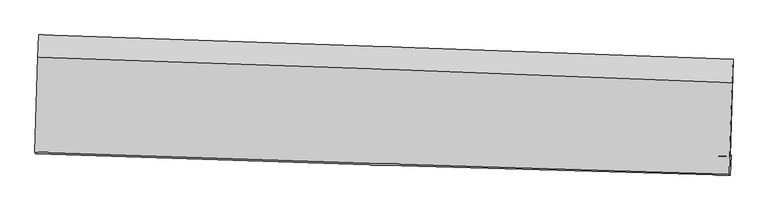
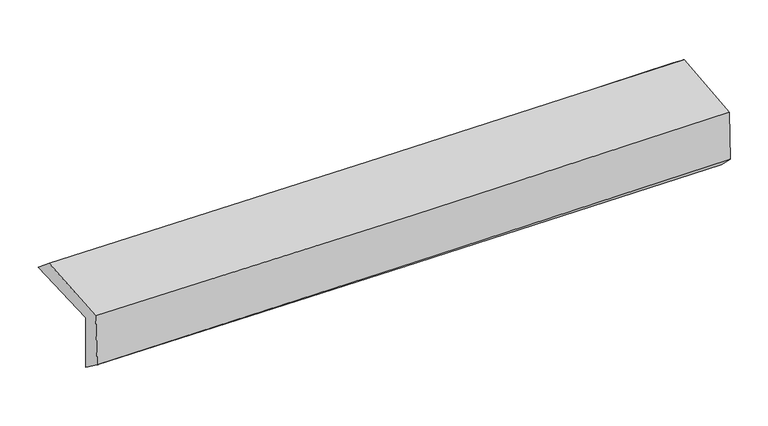
"""IFC4 building model written with IfcOpenShell, lengths in millimetres: proxy geometry."""

import ifcopenshell
import ifcopenshell.guid

model = None  # the IFC model being written
_history = None  # IfcOwnerHistory: only IFC2X3 demands one
_inside = {}  # id of a spatial element -> (the spatial element, [elements in it])
_under = {}  # id of a project, library or spatial element -> (it, [spatial elements below it])
_declared = {}  # id of a project -> (the project, [libraries it declares])
_typed = {}  # id of a type object -> (the type object, [elements of that type])
_made_of = {}  # id of a material, layer set ... -> (it, [elements and type objects made of it])


def new_model(schema):
    """Start an empty IFC model of exactly this schema.

    Asked for "IFC4X3", IfcOpenShell would pick the latest addendum, in which some entities
    have other attributes; the version numbers below select the first issue.
    IFC2X3 requires an IfcOwnerHistory on every rooted entity: one is made here for all.
    """
    global model, _history
    if schema == "IFC4X3":
        model = ifcopenshell.file(schema_version=(4, 3, 0, 0))
    else:
        model = ifcopenshell.file(schema=schema)
    _inside.clear()
    _under.clear()
    _declared.clear()
    _typed.clear()
    _made_of.clear()
    _history = None
    if model.schema == "IFC2X3":
        org = make("IfcOrganization", Name="unknown")
        user = make(
            "IfcPersonAndOrganization",
            ThePerson=make("IfcPerson", FamilyName="unknown"),
            TheOrganization=org,
        )
        app = make(
            "IfcApplication",
            ApplicationDeveloper=org,
            Version="unknown",
            ApplicationFullName="unknown",
            ApplicationIdentifier="unknown",
        )
        _history = make(
            "IfcOwnerHistory",
            OwningUser=user,
            OwningApplication=app,
            ChangeAction="ADDED",
            CreationDate=0,
        )
    return model


def make(cls, **values):
    """One entity of the class cls with the attributes given. An attribute that is None is left unset."""
    return model.create_entity(
        cls, **{name: value for name, value in values.items() if value is not None}
    )


def rooted(cls, **values):
    """An entity with a GlobalId (a new one), such as an element, a storey or a relation."""
    return make(cls, GlobalId=ifcopenshell.guid.new(), OwnerHistory=_history, **values)


def si_unit(unit_type, name, prefix=None):
    """IfcSIUnit, for example si_unit("LENGTHUNIT", "METRE", prefix="MILLI")."""
    return make("IfcSIUnit", UnitType=unit_type, Prefix=prefix, Name=name)


def assignment(units):
    """IfcUnitAssignment: the units of a project."""
    return None if units is None else make("IfcUnitAssignment", Units=units)


def point(xyz):
    """IfcCartesianPoint."""
    return None if xyz is None else make("IfcCartesianPoint", Coordinates=xyz)


def direction(xyz):
    """IfcDirection."""
    return None if xyz is None else make("IfcDirection", DirectionRatios=xyz)


def frame(location, z_axis=None, x_axis=None):
    """IfcAxis2Placement3D, a coordinate frame: its origin and axes. An axis left out is left unset."""
    return make(
        "IfcAxis2Placement3D",
        Location=point(location),
        Axis=direction(z_axis),
        RefDirection=direction(x_axis),
    )


def origin():
    """The frame at (0, 0, 0) with its axes left unset."""
    return frame((0.0, 0.0, 0.0))


def place(relative_to, where):
    """IfcLocalPlacement: puts the frame where relative to a parent placement (None: the world)."""
    return make(
        "IfcLocalPlacement", PlacementRelTo=relative_to, RelativePlacement=where
    )


def context(
    kind, dimensions, precision=None, world=None, true_north=None, identifier=None
):
    """IfcGeometricRepresentationContext, for example the 3D "Model" context."""
    return make(
        "IfcGeometricRepresentationContext",
        ContextIdentifier=identifier,
        ContextType=kind,
        CoordinateSpaceDimension=dimensions,
        Precision=precision,
        WorldCoordinateSystem=world,
        TrueNorth=true_north,
    )


def project(units=None, contexts=None):
    """IfcProject with its units and contexts."""
    return rooted(
        "IfcProject",
        Name="project",
        RepresentationContexts=contexts,
        UnitsInContext=assignment(units),
    )


def spatial(cls, under=None, at=None, **own):
    """A site, building, storey or space (cls), placed at a placement, below another one or the project."""
    s = rooted(cls, ObjectPlacement=at, **own)
    if under is not None:
        _under.setdefault(under.id(), (under, []))[1].append(s)
    return s


def shape(context_of_items, identifier, shape_type, items):
    """IfcShapeRepresentation: the items that make up one representation, for example the "Body"."""
    return make(
        "IfcShapeRepresentation",
        ContextOfItems=context_of_items,
        RepresentationIdentifier=identifier,
        RepresentationType=shape_type,
        Items=items,
    )


def source(mapping_origin, context_of_items, identifier, shape_type, items):
    """IfcRepresentationMap: a shape defined once, which mapped items show again and again."""
    return make(
        "IfcRepresentationMap",
        MappingOrigin=mapping_origin,
        MappedRepresentation=shape(context_of_items, identifier, shape_type, items),
    )


def transform(
    local_origin,
    x_axis=None,
    y_axis=None,
    z_axis=None,
    scale=None,
    scale2=None,
    scale3=None,
    uniform=True,
):
    """IfcCartesianTransformationOperator3D, or its non-uniform kind. x_axis, y_axis, z_axis: its Axis1, 2, 3."""
    if uniform:
        return make(
            "IfcCartesianTransformationOperator3D",
            Axis1=direction(x_axis),
            Axis2=direction(y_axis),
            LocalOrigin=point(local_origin),
            Scale=scale,
            Axis3=direction(z_axis),
        )
    return make(
        "IfcCartesianTransformationOperator3DnonUniform",
        Axis1=direction(x_axis),
        Axis2=direction(y_axis),
        LocalOrigin=point(local_origin),
        Scale=scale,
        Axis3=direction(z_axis),
        Scale2=scale2,
        Scale3=scale3,
    )


def mapped(mapping_source, mapping_target):
    """IfcMappedItem: shows the shape of a source again, moved by a transform."""
    return make(
        "IfcMappedItem", MappingSource=mapping_source, MappingTarget=mapping_target
    )


def made_of(thing, what):
    """Note that an element or type object is made of a material, layer set ...; save() writes the relation."""
    if what is not None:
        _made_of.setdefault(what.id(), (what, []))[1].append(thing)
    return thing


def element(
    cls,
    number,
    at=None,
    inside=None,
    cuts=None,
    type_object=None,
    material=None,
    context=None,
    identifier="Body",
    shape_type=None,
    held_by="IfcProductDefinitionShape",
    body=None,
    shapes=None,
    **own,
):
    """One element of the class cls, such as IfcWall. Its Tag is "e" and its number.

    at: its placement. inside: the storey or other place that contains it. cuts: it is an
    opening in that element (IfcRelVoidsElement). A single representation is given by context,
    identifier, shape_type and body (its items); several are given by shapes. held_by: the class
    of the entity that holds the representations. save() writes the other relations.
    """
    e = rooted(cls, Tag="e%d" % number, ObjectPlacement=at, **own)
    if body is not None:
        shapes = [shape(context, identifier, shape_type, body)]
    if shapes is not None:
        e.Representation = make(held_by, Representations=shapes)
    if inside is not None:
        _inside.setdefault(inside.id(), (inside, []))[1].append(e)
    if cuts is not None:
        rooted(
            "IfcRelVoidsElement", RelatingBuildingElement=cuts, RelatedOpeningElement=e
        )
    if type_object is not None:
        _typed.setdefault(type_object.id(), (type_object, []))[1].append(e)
    return made_of(e, material)


def aggregate(whole, parts):
    """IfcRelAggregates: a whole, such as a stair, and the parts it consists of."""
    return rooted("IfcRelAggregates", RelatingObject=whole, RelatedObjects=parts)


def save(model, path):
    """Write the relations noted so far, then the file.

    IfcRelAggregates (storeys below a building ...), IfcRelContainedInSpatialStructure (elements
    in a storey), IfcRelDefinesByType, IfcRelAssociatesMaterial and IfcRelDeclares: one each for
    every whole, place, type object, material and project.
    """
    for whole, parts in _under.values():
        aggregate(whole, parts)
    for where, things in _inside.values():
        rooted(
            "IfcRelContainedInSpatialStructure",
            RelatedElements=things,
            RelatingStructure=where,
        )
    for kind, things in _typed.values():
        rooted("IfcRelDefinesByType", RelatedObjects=things, RelatingType=kind)
    for what, things in _made_of.values():
        rooted("IfcRelAssociatesMaterial", RelatedObjects=things, RelatingMaterial=what)
    for by, libraries in _declared.values():
        rooted("IfcRelDeclares", RelatingContext=by, RelatedDefinitions=libraries)
    model.write(path)


def plane_surface(at):
    """IfcPlane: the flat surface through the origin of the frame at, square to its z axis."""
    return make("IfcPlane", Position=at)


def spline_curve(degree, points, multiplicities, knots, weights=None):
    """IfcBSplineCurveWithKnots; with weights, IfcRationalBSplineCurveWithKnots."""
    own = dict(
        Degree=degree,
        ControlPointsList=[point(p) for p in points],
        CurveForm="UNSPECIFIED",
        ClosedCurve=False,
        SelfIntersect=False,
        KnotMultiplicities=multiplicities,
        Knots=knots,
        KnotSpec="UNSPECIFIED",
    )
    if weights is None:
        return make("IfcBSplineCurveWithKnots", **own)
    return make("IfcRationalBSplineCurveWithKnots", WeightsData=weights, **own)


def spline_surface(u_degree, v_degree, points, u_multiplicities, v_multiplicities, u_knots, v_knots, weights=None):
    """IfcBSplineSurfaceWithKnots; with weights, IfcRationalBSplineSurfaceWithKnots. points: one row for each step in u."""
    own = dict(
        UDegree=u_degree,
        VDegree=v_degree,
        ControlPointsList=[[point(p) for p in row] for row in points],
        SurfaceForm="UNSPECIFIED",
        UClosed=False,
        VClosed=False,
        SelfIntersect=False,
        UMultiplicities=u_multiplicities,
        VMultiplicities=v_multiplicities,
        UKnots=u_knots,
        VKnots=v_knots,
        KnotSpec="UNSPECIFIED",
    )
    if weights is None:
        return make("IfcBSplineSurfaceWithKnots", **own)
    return make("IfcRationalBSplineSurfaceWithKnots", WeightsData=weights, **own)


def advanced_brep(points, edges, surfaces, faces):
    """IfcAdvancedBrep: a solid bounded by faces that lie on surfaces and meet in shared edges.

    An edge is (start, end): straight between two places in points (the first is 0);
    or (start, end, curve); or (start, end, curve, False) where it runs against its curve.
    A face is (place in surfaces, loops), or (place, loops, False) where it looks against
    its surface's normal. A loop lists edges by number (the first is 1), with a minus sign
    where the edge is run from its end to its start. The first loop is the outer one.
    """
    corners = [point(p) for p in points]
    vertices = [make("IfcVertexPoint", VertexGeometry=c) for c in corners]
    made = []
    for start, end, *more in edges:
        made.append(
            make(
                "IfcEdgeCurve",
                EdgeStart=vertices[start],
                EdgeEnd=vertices[end],
                EdgeGeometry=more[0] if more else make("IfcPolyline", Points=[corners[start], corners[end]]),
                SameSense=more[1] if len(more) > 1 else True,
            )
        )
    hull = []
    for where, loops, *sense in faces:
        bounds = []
        for j, loop in enumerate(loops):
            ring = [make("IfcOrientedEdge", EdgeElement=made[abs(k) - 1], Orientation=k > 0) for k in loop]
            bounds.append(
                make(
                    "IfcFaceOuterBound" if j == 0 else "IfcFaceBound",
                    Bound=make("IfcEdgeLoop", EdgeList=ring),
                    Orientation=True,
                )
            )
        hull.append(make("IfcAdvancedFace", Bounds=bounds, FaceSurface=surfaces[where], SameSense=sense[0] if sense else True))
    return make("IfcAdvancedBrep", Outer=make("IfcClosedShell", CfsFaces=hull))


def generic_models_07d9ac0f(model_context):
    return source(origin(), model_context, "Body", "AdvancedBrep", [
        advanced_brep(
        [(-2395.6338538, -1716.0567838, 2003.5924371), (-2374.7590549, -1056.2247053, 2006.6569322), (2383.0529592, -1222.251437, 2093.0904878), (2362.222991, -1886.560691, 2083.937133), (-2388.8180216, -1707.6431293, 1598.7048074), (2369.0518072, -1880.8872728, 1672.8979919), (-2395.8757711, -1869.9134475, 1716.9057276), (2362.683959, -2016.3799969, 1802.0363984), (-2401.8889141, -1859.6992172, 2108.688601), (2356.7780728, -2010.017997, 2179.519004), (-2381.6703892, -1209.3000124, 2133.8330908), (2375.9112274, -1384.0822956, 2218.6535057)],
        [
            (0, 1),
            (1, 2, spline_curve(3, [(-2374.7590549, -1056.2247053, 2006.6569322), (-1578.178262364, -1082.37519599, 2007.452190403), (-781.74297334, -1109.34739805, 2015.111431871), (804.191946534, -1164.703298273, 2044.036692488), (1593.693995599, -1193.073340097, 2065.188636123), (2383.0529592, -1222.251437, 2093.0904878)], [4, 2, 4], [0.0, 7.843904732530343, 15.622355898660727])),
            (2, 3),
            (3, 0, spline_curve(3, [(2362.222991, -1886.560691, 2083.937133), (1572.874268249, -1855.035707554, 2059.076451415), (783.373656587, -1825.117327694, 2039.954625651), (-802.576058179, -1768.255540157, 2013.076072273), (-1599.027727804, -1741.339283942, 2005.416332681), (-2395.6338538, -1716.0567838, 2003.5924371)], [4, 2, 4], [0.0, 7.778451166130384, 15.622355898660727])),
            (4, 0),
            (3, 5),
            (5, 4, spline_curve(3, [(2369.0518072, -1880.8872728, 1672.8979919), (1579.697500927, -1847.992974364, 1651.055344768), (790.193012793, -1817.160625214, 1633.957198096), (-795.761058638, -1759.377730037, 1609.145953509), (-1592.213180193, -1732.462031292, 1601.513038335), (-2388.8180216, -1707.6431293, 1598.7048074)], [4, 2, 4], [0.0, 7.778515868724535, 15.62248584830389])),
            (6, 4),
            (5, 7),
            (7, 6, spline_curve(3, [(2362.683959, -2016.3799969, 1802.0363984), (1572.733357338, -1996.738471005, 1790.965685671), (782.872461132, -1974.773077617, 1778.372236285), (-803.315631465, -1925.990168612, 1750.021080421), (-1599.641312063, -1899.133378754, 1734.237639728), (-2395.8757711, -1869.9134475, 1716.9057276)], [4, 2, 4], [0.0, 7.7782607668151815, 15.621973497871494])),
            (8, 6),
            (7, 9),
            (9, 8, spline_curve(3, [(2356.7780728, -2010.017997, 2179.519004), (1566.924804995, -1988.710647779, 2165.706751636), (777.103916337, -1965.590518463, 2152.918513741), (-809.118959804, -1915.514894832, 2129.291073292), (-1605.52040001, -1888.528764382, 2118.469176921), (-2401.8889141, -1859.6992172, 2108.688601)], [4, 2, 4], [0.0, 7.778272651611746, 15.621997367471977])),
            (10, 8),
            (9, 11),
            (11, 10, spline_curve(3, [(2375.9112274, -1384.0822956, 2218.6535057), (1586.571278175, -1350.556984314, 2197.855644939), (797.097815299, -1319.280700357, 2180.403882927), (-788.760467415, -1260.981929913, 2152.073861125), (-1585.147543231, -1233.997452988, 2141.252151605), (-2381.6703892, -1209.3000124, 2133.8330908)], [4, 2, 4], [0.0, 7.778228847060099, 15.621909389765207])),
            (1, 10),
            (11, 2),
        ],
        [
            spline_surface(3, 3, [[(-2395.6338538, -1716.0567838, 2003.5924371), (-1599.027727873, -1741.339284028, 2005.416332559), (-802.576058114, -1768.255540045, 2013.076072207), (783.373656522, -1825.117327805, 2039.954625716), (1572.874268355, -1855.035707536, 2059.076451355), (2362.222991, -1886.560691, 2083.937133)], [(-2388.675587518, -1496.112757648, 2004.61393546), (-1592.077906023, -1521.684588022, 2006.094951843), (-795.631696542, -1548.619492712, 2013.754525463), (790.313086505, -1604.979317962, 2041.315314624), (1579.814177433, -1634.381585072, 2061.11384626), (2369.166313731, -1665.124273004, 2086.988251266)], [(-2381.717321182, -1276.168731452, 2005.63543384), (-1585.128084118, -1302.029891973, 2006.773571147), (-788.687334909, -1328.98344538, 2014.432978691), (797.252516549, -1384.84130812, 2042.676003504), (1586.754086517, -1413.727462594, 2063.151241166), (2376.109636469, -1443.687854996, 2090.039369534)], [(-2374.7590549, -1056.2247053, 2006.6569322), (-1578.178262268, -1082.375195967, 2007.45219043), (-781.742973338, -1109.347398047, 2015.111431947), (804.191946532, -1164.703298276, 2044.036692412), (1593.693995595, -1193.07334013, 2065.188636071), (2383.0529592, -1222.251437, 2093.0904878)]], [4, 4], [4, 2, 4], [0.0, 2.165323251041259], [0.0, 7.843904732530343, 15.622355898660727]),
            spline_surface(3, 3, [[(-2388.8180216, -1707.6431293, 1598.7048074), (-1592.213180086, -1732.462031303, 1601.51303846), (-795.761058655, -1759.377729968, 1609.145953382), (790.19301281, -1817.160625283, 1633.957198222), (1579.697501015, -1847.992974472, 1651.055344777), (2369.0518072, -1880.8872728, 1672.8979919)], [(-2391.089965679, -1710.447680785, 1733.667350629), (-1594.484696028, -1735.42111553, 1736.147469822), (-798.032725119, -1762.337000003, 1743.789326323), (787.91989407, -1819.812859467, 1769.289674052), (1577.423090138, -1850.340552148, 1787.062380294), (2366.775535143, -1882.778412188, 1809.911038924)], [(-2393.361909721, -1713.252232315, 1868.629893871), (-1596.756211931, -1738.380199801, 1870.781901198), (-800.304391651, -1765.29627001, 1878.432699266), (785.646775262, -1822.465093622, 1904.622149886), (1575.148679232, -1852.68812986, 1923.069415838), (2364.499263057, -1884.669551612, 1946.924085976)], [(-2395.6338538, -1716.0567838, 2003.5924371), (-1599.027727873, -1741.339284028, 2005.416332559), (-802.576058114, -1768.255540045, 2013.076072207), (783.373656522, -1825.117327805, 2039.954625716), (1572.874268355, -1855.035707536, 2059.076451355), (2362.222991, -1886.560691, 2083.937133)]], [4, 4], [4, 2, 4], [0.0, 1.3290684993623287], [0.0, 7.843969979579356, 15.62248584830389]),
            spline_surface(3, 3, [[(-2395.8757711, -1869.9134475, 1716.9057276), (-1599.641312065, -1899.13337872, 1734.237639699), (-803.315631547, -1925.990168546, 1750.02108055), (782.872461213, -1974.773077683, 1778.372236157), (1572.733357368, -1996.738471019, 1790.965685581), (2362.683959, -2016.3799969, 1802.0363984)], [(-2393.523187904, -1815.823341436, 1677.505420877), (-1597.165268043, -1843.576262918, 1689.996105963), (-800.797440592, -1870.45268902, 1703.062704803), (785.312645069, -1922.23559355, 1730.233890154), (1575.054738582, -1947.156638844, 1744.32890534), (2364.806575065, -1971.215755541, 1758.990262926)], [(-2391.170604796, -1761.733235364, 1638.105114123), (-1594.689224109, -1788.019147106, 1645.754572195), (-798.27924961, -1814.915209494, 1656.104329129), (787.752828953, -1869.698109417, 1682.095544225), (1577.376119801, -1897.574806647, 1697.692125019), (2366.929191135, -1926.051514159, 1715.944127374)], [(-2388.8180216, -1707.6431293, 1598.7048074), (-1592.213180086, -1732.462031303, 1601.51303846), (-795.761058655, -1759.377729968, 1609.145953382), (790.19301281, -1817.160625283, 1633.957198222), (1579.697501015, -1847.992974472, 1651.055344777), (2369.0518072, -1880.8872728, 1672.8979919)]], [4, 4], [4, 2, 4], [0.0, 0.7089288615261494], [0.0, 7.843712731056312, 15.621973497871494]),
            spline_surface(3, 3, [[(-2401.8889141, -1859.6992172, 2108.688601), (-1605.52040012, -1888.528764465, 2118.469176965), (-809.11895982, -1915.514894918, 2129.291073284), (777.103916353, -1965.590518377, 2152.918513748), (1566.924805039, -1988.710647859, 2165.70675173), (2356.7780728, -2010.017997, 2179.519004)], [(-2399.884533123, -1863.103960624, 1978.094309861), (-1603.560704124, -1892.063635874, 1990.39199787), (-807.184517077, -1919.006652782, 2002.867742401), (779.026764624, -1968.651371467, 2028.069754579), (1568.860989149, -1991.38658889, 2040.793062987), (2358.746701534, -2012.138663611, 2053.691468773)], [(-2397.880152077, -1866.508704076, 1847.500018739), (-1601.601008061, -1895.598507312, 1862.314818793), (-805.250074289, -1922.498410682, 1876.444411433), (780.949612942, -1971.712224593, 1903.220995326), (1570.797173258, -1994.062529988, 1915.879374324), (2360.715330266, -2014.259330289, 1927.863933627)], [(-2395.8757711, -1869.9134475, 1716.9057276), (-1599.641312065, -1899.13337872, 1734.237639699), (-803.315631547, -1925.990168546, 1750.02108055), (782.872461213, -1974.773077683, 1778.372236157), (1572.733357367, -1996.738471019, 1790.965685581), (2362.683959, -2016.3799969, 1802.0363984)]], [4, 4], [4, 2, 4], [0.0, 1.237207098928201], [0.0, 7.843724715860231, 15.621997367471977]),
            spline_surface(3, 3, [[(-2381.6703892, -1209.3000124, 2133.8330908), (-1585.147543243, -1233.997452983, 2141.252151576), (-788.760467288, -1260.981930021, 2152.073861233), (797.097815173, -1319.28070025, 2180.403882821), (1586.571278066, -1350.556984278, 2197.855644821), (2375.9112274, -1384.0822956, 2218.6535057)], [(-2388.40989749, -1426.099747339, 2125.451594194), (-1591.938495525, -1452.174556816, 2133.657826699), (-795.546631461, -1479.159585001, 2144.47959858), (790.433182237, -1534.717306308, 2171.242093126), (1580.022453714, -1563.274872143, 2187.139347146), (2369.533509191, -1592.727529404, 2205.608671823)], [(-2395.14940581, -1642.899482261, 2117.070097606), (-1598.729447838, -1670.351660632, 2126.063501841), (-802.332795647, -1697.337239937, 2136.885335938), (783.768549288, -1750.15391232, 2162.080303443), (1573.47362939, -1775.992759995, 2176.423049404), (2363.155791009, -1801.372763196, 2192.563837877)], [(-2401.8889141, -1859.6992172, 2108.688601), (-1605.52040012, -1888.528764465, 2118.469176965), (-809.11895982, -1915.514894918, 2129.291073284), (777.103916353, -1965.590518377, 2152.918513748), (1566.924805039, -1988.710647859, 2165.70675173), (2356.7780728, -2010.017997, 2179.519004)]], [4, 4], [4, 2, 4], [0.0, 2.136656655632219], [0.0, 7.843680542705108, 15.621909389765207]),
            spline_surface(3, 3, [[(-2374.7590549, -1056.2247053, 2006.6569322), (-1578.178262268, -1082.375195967, 2007.45219043), (-781.742973338, -1109.347398047, 2015.111431947), (804.191946532, -1164.703298276, 2044.036692412), (1593.693995595, -1193.07334013, 2065.188636071), (2383.0529592, -1222.251437, 2093.0904878)], [(-2377.062832986, -1107.249807668, 2049.048985079), (-1580.501355913, -1132.915948307, 2052.052177491), (-784.08213797, -1159.892242026, 2060.765575034), (801.827236097, -1216.229098923, 2089.49242254), (1591.319756421, -1245.567888198, 2109.410972308), (2380.672381936, -1276.195056552, 2134.944827087)], [(-2379.366611114, -1158.274910032, 2091.441037921), (-1582.824449599, -1183.456700643, 2096.652164515), (-786.421302656, -1210.437086041, 2106.419718146), (799.462525608, -1267.754899604, 2134.948152693), (1588.945517239, -1298.06243621, 2153.633308584), (2378.291804664, -1330.138676048, 2176.799166413)], [(-2381.6703892, -1209.3000124, 2133.8330908), (-1585.147543243, -1233.997452983, 2141.252151576), (-788.760467288, -1260.981930021, 2152.073861233), (797.097815173, -1319.28070025, 2180.403882821), (1586.571278066, -1350.556984278, 2197.855644821), (2375.9112274, -1384.0822956, 2218.6535057)]], [4, 4], [4, 2, 4], [0.0, 0.6736944704435442], [0.0, 7.843789319781073, 15.622126036225392]),
            plane_surface(frame((2368.2835028, -1733.3632817, 2008.3557535), z_axis=(0.9993711268087169, -0.031558879416498715, 0.01616749922068269), x_axis=(0.0156413173177979, -0.01684930165765845, -0.999735690183267))),
            plane_surface(frame((-2389.7743341, -1569.8062159, 1928.0635993), z_axis=(-0.9993669732109435, 0.03169157999126528, -0.016164671752160468), x_axis=(-0.03162037143337064, -0.9994891715767612, -0.004641983543215179))),
        ],
        [
            (0, [[1, 2, 3, 4]]),
            (1, [[5, -4, 6, 7]]),
            (2, [[8, -7, 9, 10]]),
            (3, [[11, -10, 12, 13]]),
            (4, [[14, -13, 15, 16]]),
            (5, [[17, -16, 18, -2]]),
            (6, [[-12, -9, -6, -3, -18, -15]]),
            (7, [[-1, -5, -8, -11, -14, -17]]),
        ],
    ),
    ])


if __name__ == "__main__":
    model = new_model("IFC4")
    model_context = context("Model", 3, world=origin())
    ifc_project = project(units=[si_unit("LENGTHUNIT", "METRE", prefix="MILLI")], contexts=[model_context])
    site = spatial("IfcSite", under=ifc_project)
    building = spatial("IfcBuilding", under=site)
    placement = place(None, origin())
    generic_models_shape = generic_models_07d9ac0f(model_context)
    element("IfcBuildingElementProxy", 1, Name="Generic Models", at=placement, inside=building, context=model_context, shape_type="MappedRepresentation", body=[
        mapped(generic_models_shape, transform((0.0, 0.0, 0.0), x_axis=(1.0, 0.0, 0.0), y_axis=(0.0, 1.0, 0.0), z_axis=(0.0, 0.0, 1.0))),
    ])
    save(model, "model.ifc")
